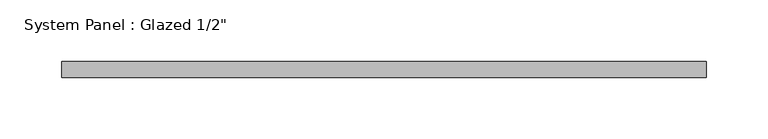
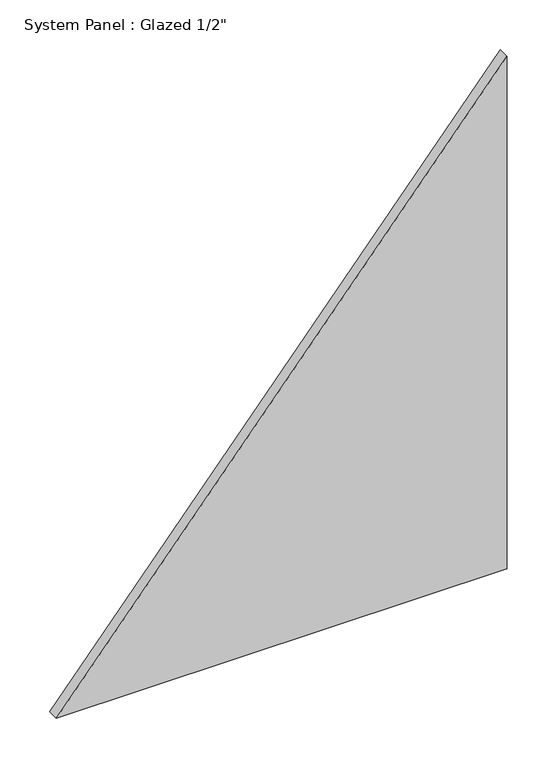
"""IFC4 building model written with IfcOpenShell, lengths in millimetres: plate geometry."""

from ifc_helpers import new_model, si_unit, frame, origin, place, context, project, spatial, polyline, outline, extrude, source, transform, mapped, element, save


def plate_8a38d2bd(model_context):
    return source(origin(), model_context, "Body", "SweptSolid", [
        extrude(outline(polyline([(0.0, -260.6070441), (0.0, 260.6070441), (626.4213736, 260.6070441), (0.0, -260.6070441)])), frame((0.0, -6.35, 0.0), z_axis=(0.0, 1.0, 0.0), x_axis=(0.0, 0.0, 1.0)), (0.0, 0.0, 1.0), 12.7),
    ])


if __name__ == "__main__":
    model = new_model("IFC4")
    model_context = context("Model", 3, world=origin())
    ifc_project = project(units=[si_unit("LENGTHUNIT", "METRE", prefix="MILLI")], contexts=[model_context])
    site = spatial("IfcSite", under=ifc_project)
    building = spatial("IfcBuilding", under=site)
    placement = place(None, origin())
    plate_shape = plate_8a38d2bd(model_context)
    element("IfcPlate", 1, ObjectType="System Panel : Glazed 1/2\"", at=placement, inside=building, context=model_context, shape_type="MappedRepresentation", body=[
        mapped(plate_shape, transform((0.0, 0.0, 0.0), x_axis=(1.0, 0.0, 0.0), y_axis=(0.0, 1.0, 0.0), z_axis=(0.0, 0.0, 1.0))),
    ])
    save(model, "model.ifc")
